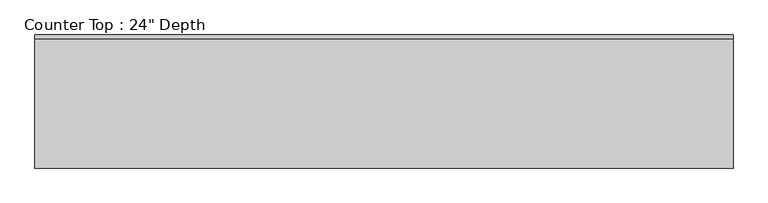
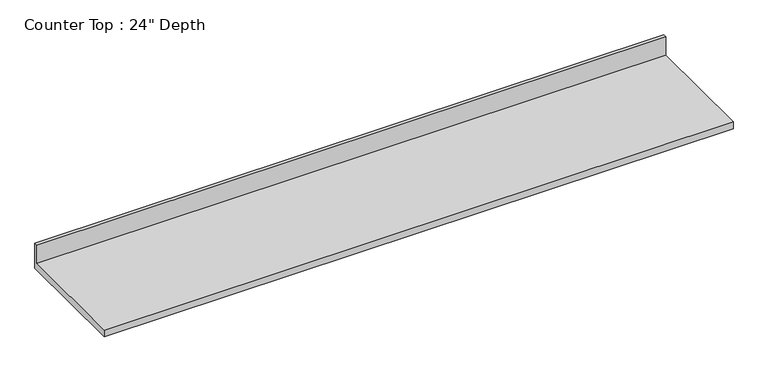
"""IFC4 building model written with IfcOpenShell, lengths in millimetres: furniture geometry."""

from ifc_helpers import new_model, si_unit, frame, origin, place, context, project, spatial, polyline, outline, extrude, source, transform, mapped, element, save


def furniture_7bb24ecc(model_context):
    return source(origin(), model_context, "Body", "SweptSolid", [
        extrude(outline(polyline([(0.0, 1016.0), (0.0, 876.3), (-635.0, 876.3), (-635.0, 914.4), (-19.05, 914.4), (-19.05, 1016.0), (0.0, 1016.0)])), frame((-1200.4622951, 0.0, 0.0), z_axis=(1.0, 0.0, 0.0), x_axis=(0.0, 1.0, 0.0)), (0.0, 0.0, 1.0), 3330.575),
    ])


if __name__ == "__main__":
    model = new_model("IFC4")
    model_context = context("Model", 3, world=origin())
    ifc_project = project(units=[si_unit("LENGTHUNIT", "METRE", prefix="MILLI")], contexts=[model_context])
    site = spatial("IfcSite", under=ifc_project)
    building = spatial("IfcBuilding", under=site)
    placement = place(None, origin())
    furniture_shape = furniture_7bb24ecc(model_context)
    element("IfcFurniture", 1, ObjectType="Counter Top : 24\" Depth", at=placement, inside=building, context=model_context, shape_type="MappedRepresentation", body=[
        mapped(furniture_shape, transform((0.0, 0.0, 0.0), x_axis=(1.0, 0.0, 0.0), y_axis=(0.0, 1.0, 0.0), z_axis=(0.0, 0.0, 1.0))),
    ])
    save(model, "model.ifc")
